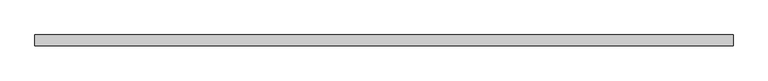
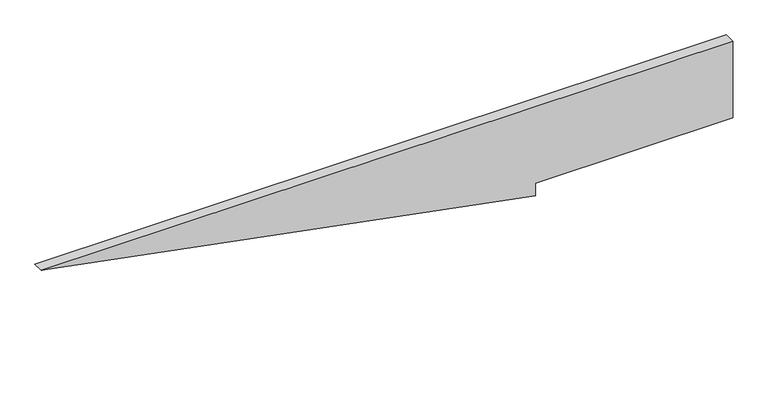
"""IFC4 building model written with IfcOpenShell, lengths in millimetres: plate geometry."""

from ifc_helpers import new_model, si_unit, frame, origin, place, context, project, spatial, polyline, outline, extrude, source, transform, mapped, element, save


def plate_b822d8c5(model_context):
    return source(origin(), model_context, "Body", "SweptSolid", [
        extrude(outline(polyline([(0.0, 275.1397538), (25.0, 275.1397538), (25.0, 639.6329735), (175.0, 639.6329735), (175.0, -639.6329735), (0.0, 275.1397538)])), frame((0.0, 20.0, 0.0), z_axis=(0.0, 1.0, 0.0), x_axis=(0.0, 0.0, 1.0)), (0.0, 0.0, 1.0), 20.0),
    ])


if __name__ == "__main__":
    model = new_model("IFC4")
    model_context = context("Model", 3, world=origin())
    ifc_project = project(units=[si_unit("LENGTHUNIT", "METRE", prefix="MILLI")], contexts=[model_context])
    site = spatial("IfcSite", under=ifc_project)
    building = spatial("IfcBuilding", under=site)
    placement = place(None, origin())
    plate_shape = plate_b822d8c5(model_context)
    element("IfcPlate", 1, at=placement, inside=building, context=model_context, shape_type="MappedRepresentation", body=[
        mapped(plate_shape, transform((0.0, 0.0, 0.0), x_axis=(1.0, 0.0, 0.0), y_axis=(0.0, 1.0, 0.0), z_axis=(0.0, 0.0, 1.0))),
    ])
    save(model, "model.ifc")
